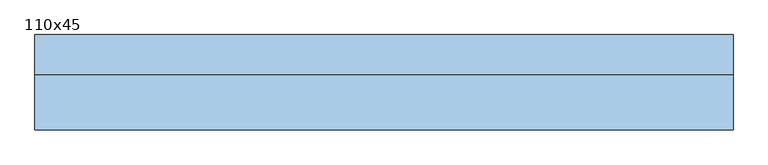
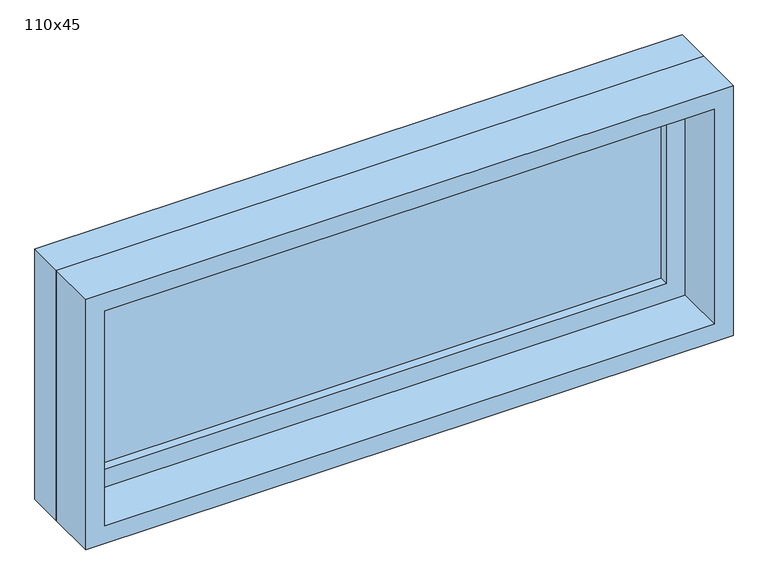
"""IFC4 building model written with IfcOpenShell, lengths in millimetres: window geometry, 110x45."""

from ifc_helpers import new_model, si_unit, frame, origin, place, context, project, spatial, polyline, outline, extrude, source, transform, mapped, element, save


def window_110x45_f81b118b(model_context):
    return source(origin(), model_context, "Body", "SweptSolid", [
        extrude(outline(polyline([(448.4, 27.375), (-524.6, 27.375), (-524.6, 40.075), (448.4, 40.075), (448.4, 27.375)])), frame((0.0, 0.0, 977.9), z_axis=(0.0, 0.0, 1.0), x_axis=(1.0, 0.0, 0.0)), (0.0, 0.0, 1.0), 323.0),
        extrude(outline(polyline([(1345.35, -569.05), (933.45, -569.05), (933.45, 492.85), (1345.35, 492.85), (1345.35, -569.05)]), holes=[polyline([(1300.9, -524.6), (1300.9, 448.4), (977.9, 448.4), (977.9, -524.6), (1300.9, -524.6)])]), frame((0.0, 11.5, 0.0), z_axis=(0.0, 1.0, 0.0), x_axis=(0.0, 0.0, 1.0)), (0.0, 0.0, 1.0), 44.45),
        extrude(outline(polyline([(1364.4, -588.1), (914.4, -588.1), (914.4, 511.9), (1364.4, 511.9), (1364.4, -588.1)]), holes=[polyline([(1332.65, -556.35), (1332.65, 480.15), (946.15, 480.15), (946.15, -556.35), (1332.65, -556.35)])]), frame((0.0, -75.0, 0.0), z_axis=(0.0, 1.0, 0.0), x_axis=(0.0, 0.0, 1.0)), (0.0, 0.0, 1.0), 86.5),
        extrude(outline(polyline([(1364.4, 511.9), (1364.4, -588.1), (914.4, -588.1), (914.4, 511.9), (1364.4, 511.9)]), holes=[polyline([(1345.35, 492.85), (933.45, 492.85), (933.45, -569.05), (1345.35, -569.05), (1345.35, 492.85)])]), frame((0.0, 11.5, 0.0), z_axis=(0.0, 1.0, 0.0), x_axis=(0.0, 0.0, 1.0)), (0.0, 0.0, 1.0), 63.5),
    ])


if __name__ == "__main__":
    model = new_model("IFC4")
    model_context = context("Model", 3, world=origin())
    ifc_project = project(units=[si_unit("LENGTHUNIT", "METRE", prefix="MILLI")], contexts=[model_context])
    site = spatial("IfcSite", under=ifc_project)
    building = spatial("IfcBuilding", under=site)
    placement = place(None, origin())
    window_110x45_shape = window_110x45_f81b118b(model_context)
    element("IfcWindow", 1, ObjectType="110x45", at=placement, inside=building, context=model_context, shape_type="MappedRepresentation", body=[
        mapped(window_110x45_shape, transform((0.0, 0.0, 0.0), x_axis=(1.0, 0.0, 0.0), y_axis=(0.0, 1.0, 0.0), z_axis=(0.0, 0.0, 1.0))),
    ])
    save(model, "model.ifc")
